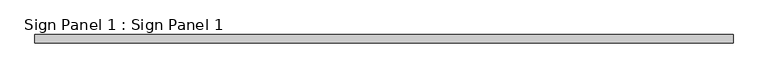
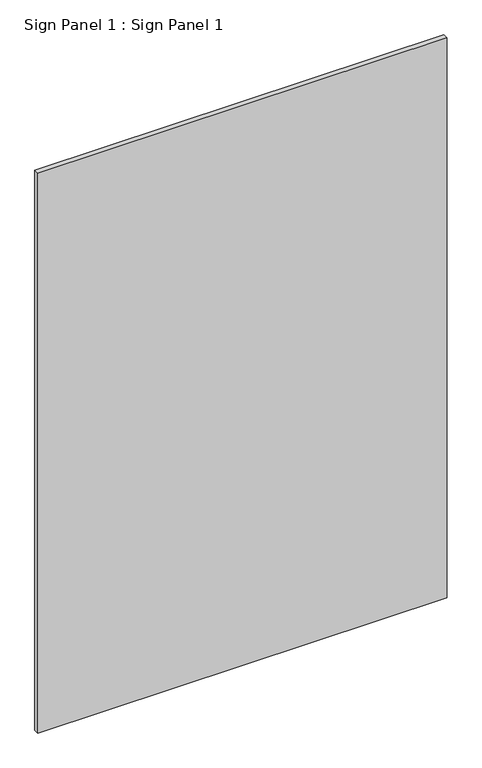
"""IFC4 building model written with IfcOpenShell, lengths in millimetres: proxy geometry, Sign Panel 1 : Sign Panel 1."""

from ifc_helpers import new_model, si_unit, frame, origin, place, context, project, spatial, polyline, outline, extrude, source, transform, mapped, element, save


def sign_panel_1_sign_panel_1_afddf930(model_context):
    return source(origin(), model_context, "Body", "SweptSolid", [
        extrude(outline(polyline([(228988.1228488, 158623.7596581), (227934.0228488, 158623.7596581), (227934.0228488, 158636.4596581), (228988.1228488, 158636.4596581), (228988.1228488, 158623.7596581)])), frame((0.0, 0.0, 2886.9592564), z_axis=(0.0, 0.0, 1.0), x_axis=(1.0, 0.0, 0.0)), (0.0, 0.0, 1.0), 1524.0),
    ])


if __name__ == "__main__":
    model = new_model("IFC4")
    model_context = context("Model", 3, world=origin())
    ifc_project = project(units=[si_unit("LENGTHUNIT", "METRE", prefix="MILLI")], contexts=[model_context])
    site = spatial("IfcSite", under=ifc_project)
    building = spatial("IfcBuilding", under=site)
    placement = place(None, origin())
    sign_panel_1_sign_panel_1_shape = sign_panel_1_sign_panel_1_afddf930(model_context)
    element("IfcBuildingElementProxy", 1, Name="Sign Panel 1 : Sign Panel 1", ObjectType="Sign Panel 1 : Sign Panel 1", at=placement, inside=building, context=model_context, shape_type="MappedRepresentation", body=[
        mapped(sign_panel_1_sign_panel_1_shape, transform((0.0, 0.0, 0.0), x_axis=(1.0, 0.0, 0.0), y_axis=(0.0, 1.0, 0.0), z_axis=(0.0, 0.0, 1.0))),
    ])
    save(model, "model.ifc")
